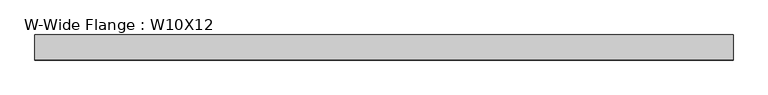
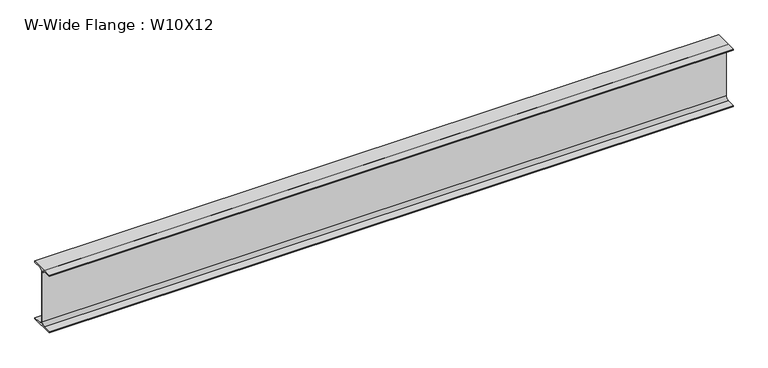
"""IFC4 building model written with IfcOpenShell, lengths in millimetres: beam geometry, W-Wide Flange : W10X12."""

import ifcopenshell
import ifcopenshell.guid

model = None  # the IFC model being written
_history = None  # IfcOwnerHistory: only IFC2X3 demands one
_inside = {}  # id of a spatial element -> (the spatial element, [elements in it])
_under = {}  # id of a project, library or spatial element -> (it, [spatial elements below it])
_declared = {}  # id of a project -> (the project, [libraries it declares])
_typed = {}  # id of a type object -> (the type object, [elements of that type])
_made_of = {}  # id of a material, layer set ... -> (it, [elements and type objects made of it])


def new_model(schema):
    """Start an empty IFC model of exactly this schema.

    Asked for "IFC4X3", IfcOpenShell would pick the latest addendum, in which some entities
    have other attributes; the version numbers below select the first issue.
    IFC2X3 requires an IfcOwnerHistory on every rooted entity: one is made here for all.
    """
    global model, _history
    if schema == "IFC4X3":
        model = ifcopenshell.file(schema_version=(4, 3, 0, 0))
    else:
        model = ifcopenshell.file(schema=schema)
    _inside.clear()
    _under.clear()
    _declared.clear()
    _typed.clear()
    _made_of.clear()
    _history = None
    if model.schema == "IFC2X3":
        org = make("IfcOrganization", Name="unknown")
        user = make(
            "IfcPersonAndOrganization",
            ThePerson=make("IfcPerson", FamilyName="unknown"),
            TheOrganization=org,
        )
        app = make(
            "IfcApplication",
            ApplicationDeveloper=org,
            Version="unknown",
            ApplicationFullName="unknown",
            ApplicationIdentifier="unknown",
        )
        _history = make(
            "IfcOwnerHistory",
            OwningUser=user,
            OwningApplication=app,
            ChangeAction="ADDED",
            CreationDate=0,
        )
    return model


def make(cls, **values):
    """One entity of the class cls with the attributes given. An attribute that is None is left unset."""
    return model.create_entity(
        cls, **{name: value for name, value in values.items() if value is not None}
    )


def rooted(cls, **values):
    """An entity with a GlobalId (a new one), such as an element, a storey or a relation."""
    return make(cls, GlobalId=ifcopenshell.guid.new(), OwnerHistory=_history, **values)


def si_unit(unit_type, name, prefix=None):
    """IfcSIUnit, for example si_unit("LENGTHUNIT", "METRE", prefix="MILLI")."""
    return make("IfcSIUnit", UnitType=unit_type, Prefix=prefix, Name=name)


def assignment(units):
    """IfcUnitAssignment: the units of a project."""
    return None if units is None else make("IfcUnitAssignment", Units=units)


def point(xyz):
    """IfcCartesianPoint."""
    return None if xyz is None else make("IfcCartesianPoint", Coordinates=xyz)


def direction(xyz):
    """IfcDirection."""
    return None if xyz is None else make("IfcDirection", DirectionRatios=xyz)


def frame(location, z_axis=None, x_axis=None):
    """IfcAxis2Placement3D, a coordinate frame: its origin and axes. An axis left out is left unset."""
    return make(
        "IfcAxis2Placement3D",
        Location=point(location),
        Axis=direction(z_axis),
        RefDirection=direction(x_axis),
    )


def frame_2d(location, x_axis=None):
    """IfcAxis2Placement2D, a coordinate frame in the plane: its origin and x axis."""
    return make(
        "IfcAxis2Placement2D", Location=point(location), RefDirection=direction(x_axis)
    )


def origin():
    """The frame at (0, 0, 0) with its axes left unset."""
    return frame((0.0, 0.0, 0.0))


def place(relative_to, where):
    """IfcLocalPlacement: puts the frame where relative to a parent placement (None: the world)."""
    return make(
        "IfcLocalPlacement", PlacementRelTo=relative_to, RelativePlacement=where
    )


def context(
    kind, dimensions, precision=None, world=None, true_north=None, identifier=None
):
    """IfcGeometricRepresentationContext, for example the 3D "Model" context."""
    return make(
        "IfcGeometricRepresentationContext",
        ContextIdentifier=identifier,
        ContextType=kind,
        CoordinateSpaceDimension=dimensions,
        Precision=precision,
        WorldCoordinateSystem=world,
        TrueNorth=true_north,
    )


def project(units=None, contexts=None):
    """IfcProject with its units and contexts."""
    return rooted(
        "IfcProject",
        Name="project",
        RepresentationContexts=contexts,
        UnitsInContext=assignment(units),
    )


def spatial(cls, under=None, at=None, **own):
    """A site, building, storey or space (cls), placed at a placement, below another one or the project."""
    s = rooted(cls, ObjectPlacement=at, **own)
    if under is not None:
        _under.setdefault(under.id(), (under, []))[1].append(s)
    return s


def polyline(points):
    """IfcPolyline through the points."""
    return make("IfcPolyline", Points=[point(p) for p in points])


def circle_curve(where, radius):
    """IfcCircle in the frame where."""
    return make("IfcCircle", Position=where, Radius=radius)


def trimmed(basis, trim1, trim2, sense, master):
    """IfcTrimmedCurve: the piece of a basis curve between two trims."""
    return make(
        "IfcTrimmedCurve",
        BasisCurve=basis,
        Trim1=trim1,
        Trim2=trim2,
        SenseAgreement=sense,
        MasterRepresentation=master,
    )


def segment(curve, same_sense, transition):
    """IfcCompositeCurveSegment."""
    return make(
        "IfcCompositeCurveSegment",
        Transition=transition,
        SameSense=same_sense,
        ParentCurve=curve,
    )


def composite_curve(segments, self_intersect=None):
    """IfcCompositeCurve: segments joined end to end."""
    return make("IfcCompositeCurve", Segments=segments, SelfIntersect=self_intersect)


def outline(outer, holes=None, kind="AREA"):
    """IfcArbitraryClosedProfileDef: a profile drawn as a closed curve; with holes, ...WithVoids."""
    if holes is None:
        return make("IfcArbitraryClosedProfileDef", ProfileType=kind, OuterCurve=outer)
    return make(
        "IfcArbitraryProfileDefWithVoids",
        ProfileType=kind,
        OuterCurve=outer,
        InnerCurves=holes,
    )


def extrude(swept, where, along, depth):
    """IfcExtrudedAreaSolid: the profile swept, set in the frame where, extruded along a direction by depth."""
    return make(
        "IfcExtrudedAreaSolid",
        SweptArea=swept,
        Position=where,
        ExtrudedDirection=direction(along),
        Depth=depth,
    )


def shape(context_of_items, identifier, shape_type, items):
    """IfcShapeRepresentation: the items that make up one representation, for example the "Body"."""
    return make(
        "IfcShapeRepresentation",
        ContextOfItems=context_of_items,
        RepresentationIdentifier=identifier,
        RepresentationType=shape_type,
        Items=items,
    )


def source(mapping_origin, context_of_items, identifier, shape_type, items):
    """IfcRepresentationMap: a shape defined once, which mapped items show again and again."""
    return make(
        "IfcRepresentationMap",
        MappingOrigin=mapping_origin,
        MappedRepresentation=shape(context_of_items, identifier, shape_type, items),
    )


def transform(
    local_origin,
    x_axis=None,
    y_axis=None,
    z_axis=None,
    scale=None,
    scale2=None,
    scale3=None,
    uniform=True,
):
    """IfcCartesianTransformationOperator3D, or its non-uniform kind. x_axis, y_axis, z_axis: its Axis1, 2, 3."""
    if uniform:
        return make(
            "IfcCartesianTransformationOperator3D",
            Axis1=direction(x_axis),
            Axis2=direction(y_axis),
            LocalOrigin=point(local_origin),
            Scale=scale,
            Axis3=direction(z_axis),
        )
    return make(
        "IfcCartesianTransformationOperator3DnonUniform",
        Axis1=direction(x_axis),
        Axis2=direction(y_axis),
        LocalOrigin=point(local_origin),
        Scale=scale,
        Axis3=direction(z_axis),
        Scale2=scale2,
        Scale3=scale3,
    )


def mapped(mapping_source, mapping_target):
    """IfcMappedItem: shows the shape of a source again, moved by a transform."""
    return make(
        "IfcMappedItem", MappingSource=mapping_source, MappingTarget=mapping_target
    )


def made_of(thing, what):
    """Note that an element or type object is made of a material, layer set ...; save() writes the relation."""
    if what is not None:
        _made_of.setdefault(what.id(), (what, []))[1].append(thing)
    return thing


def element(
    cls,
    number,
    at=None,
    inside=None,
    cuts=None,
    type_object=None,
    material=None,
    context=None,
    identifier="Body",
    shape_type=None,
    held_by="IfcProductDefinitionShape",
    body=None,
    shapes=None,
    **own,
):
    """One element of the class cls, such as IfcWall. Its Tag is "e" and its number.

    at: its placement. inside: the storey or other place that contains it. cuts: it is an
    opening in that element (IfcRelVoidsElement). A single representation is given by context,
    identifier, shape_type and body (its items); several are given by shapes. held_by: the class
    of the entity that holds the representations. save() writes the other relations.
    """
    e = rooted(cls, Tag="e%d" % number, ObjectPlacement=at, **own)
    if body is not None:
        shapes = [shape(context, identifier, shape_type, body)]
    if shapes is not None:
        e.Representation = make(held_by, Representations=shapes)
    if inside is not None:
        _inside.setdefault(inside.id(), (inside, []))[1].append(e)
    if cuts is not None:
        rooted(
            "IfcRelVoidsElement", RelatingBuildingElement=cuts, RelatedOpeningElement=e
        )
    if type_object is not None:
        _typed.setdefault(type_object.id(), (type_object, []))[1].append(e)
    return made_of(e, material)


def aggregate(whole, parts):
    """IfcRelAggregates: a whole, such as a stair, and the parts it consists of."""
    return rooted("IfcRelAggregates", RelatingObject=whole, RelatedObjects=parts)


def save(model, path):
    """Write the relations noted so far, then the file.

    IfcRelAggregates (storeys below a building ...), IfcRelContainedInSpatialStructure (elements
    in a storey), IfcRelDefinesByType, IfcRelAssociatesMaterial and IfcRelDeclares: one each for
    every whole, place, type object, material and project.
    """
    for whole, parts in _under.values():
        aggregate(whole, parts)
    for where, things in _inside.values():
        rooted(
            "IfcRelContainedInSpatialStructure",
            RelatedElements=things,
            RelatingStructure=where,
        )
    for kind, things in _typed.values():
        rooted("IfcRelDefinesByType", RelatedObjects=things, RelatingType=kind)
    for what, things in _made_of.values():
        rooted("IfcRelAssociatesMaterial", RelatedObjects=things, RelatingMaterial=what)
    for by, libraries in _declared.values():
        rooted("IfcRelDeclares", RelatingContext=by, RelatedDefinitions=libraries)
    model.write(path)


def w_wide_flange_w10x12_a627b627(model_context):
    return source(origin(), model_context, "Body", "SweptSolid", [
        extrude(outline(composite_curve([segment(polyline([(50.3039062, -120.0050781), (50.3039062, -125.3628906), (-50.3039063, -125.3628906), (-50.3039063, -120.0050781), (-16.1230469, -120.0050781)]), True, "CONTINUOUS"), segment(trimmed(circle_curve(frame_2d((-16.1230469, -106.3128906)), 13.6921875), [point((-16.1230469, -120.0050781))], [point((-2.4308594, -106.3128906))], True, "CARTESIAN"), True, "CONTINUOUS"), segment(polyline([(-2.4308594, -106.3128906), (-2.4308594, 106.3128906)]), True, "CONTINUOUS"), segment(trimmed(circle_curve(frame_2d((-16.1230469, 106.3128906)), 13.6921875), [point((-2.4308594, 106.3128906))], [point((-16.1230469, 120.0050781))], True, "CARTESIAN"), True, "CONTINUOUS"), segment(polyline([(-16.1230469, 120.0050781), (-50.3039063, 120.0050781), (-50.3039063, 125.3628906), (50.3039062, 125.3628906), (50.3039062, 120.0050781), (16.1230469, 120.0050781)]), True, "CONTINUOUS"), segment(trimmed(circle_curve(frame_2d((16.1230469, 106.3128906)), 13.6921875), [point((16.1230469, 120.0050781))], [point((2.4308594, 106.3128906))], True, "CARTESIAN"), True, "CONTINUOUS"), segment(polyline([(2.4308594, 106.3128906), (2.4308594, -106.3128906)]), True, "CONTINUOUS"), segment(trimmed(circle_curve(frame_2d((16.1230469, -106.3128906)), 13.6921875), [point((2.4308594, -106.3128906))], [point((16.1230469, -120.0050781))], True, "CARTESIAN"), True, "CONTINUOUS"), segment(polyline([(16.1230469, -120.0050781), (50.3039062, -120.0050781)]), True, "CONTINUOUS")], self_intersect=False)), frame((-1409.7, 0.0, 0.0), z_axis=(1.0, 0.0, 0.0), x_axis=(0.0, 1.0, 0.0)), (0.0, 0.0, 1.0), 2800.35),
    ])


if __name__ == "__main__":
    model = new_model("IFC4")
    model_context = context("Model", 3, world=origin())
    ifc_project = project(units=[si_unit("LENGTHUNIT", "METRE", prefix="MILLI")], contexts=[model_context])
    site = spatial("IfcSite", under=ifc_project)
    building = spatial("IfcBuilding", under=site)
    placement = place(None, origin())
    w_wide_flange_w10x12_shape = w_wide_flange_w10x12_a627b627(model_context)
    element("IfcBeam", 1, ObjectType="W-Wide Flange : W10X12", at=placement, inside=building, context=model_context, shape_type="MappedRepresentation", body=[
        mapped(w_wide_flange_w10x12_shape, transform((0.0, 0.0, 0.0), x_axis=(1.0, 0.0, 0.0), y_axis=(0.0, 1.0, 0.0), z_axis=(0.0, 0.0, 1.0))),
    ])
    save(model, "model.ifc")
